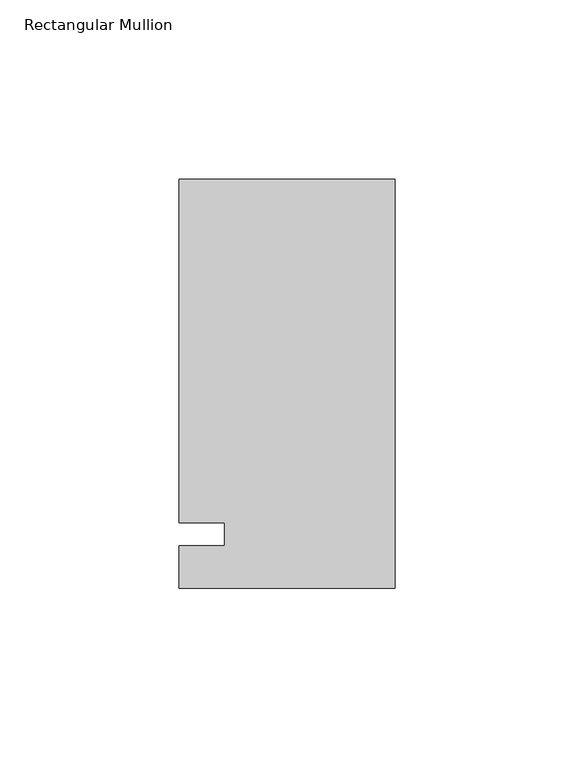
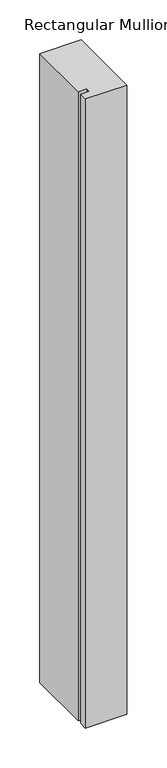
"""IFC4 building model written with IfcOpenShell, lengths in millimetres: member geometry, Rectangular Mullion."""

import ifcopenshell
import ifcopenshell.guid

model = None  # the IFC model being written
_history = None  # IfcOwnerHistory: only IFC2X3 demands one
_inside = {}  # id of a spatial element -> (the spatial element, [elements in it])
_under = {}  # id of a project, library or spatial element -> (it, [spatial elements below it])
_declared = {}  # id of a project -> (the project, [libraries it declares])
_typed = {}  # id of a type object -> (the type object, [elements of that type])
_made_of = {}  # id of a material, layer set ... -> (it, [elements and type objects made of it])


def new_model(schema):
    """Start an empty IFC model of exactly this schema.

    Asked for "IFC4X3", IfcOpenShell would pick the latest addendum, in which some entities
    have other attributes; the version numbers below select the first issue.
    IFC2X3 requires an IfcOwnerHistory on every rooted entity: one is made here for all.
    """
    global model, _history
    if schema == "IFC4X3":
        model = ifcopenshell.file(schema_version=(4, 3, 0, 0))
    else:
        model = ifcopenshell.file(schema=schema)
    _inside.clear()
    _under.clear()
    _declared.clear()
    _typed.clear()
    _made_of.clear()
    _history = None
    if model.schema == "IFC2X3":
        org = make("IfcOrganization", Name="unknown")
        user = make(
            "IfcPersonAndOrganization",
            ThePerson=make("IfcPerson", FamilyName="unknown"),
            TheOrganization=org,
        )
        app = make(
            "IfcApplication",
            ApplicationDeveloper=org,
            Version="unknown",
            ApplicationFullName="unknown",
            ApplicationIdentifier="unknown",
        )
        _history = make(
            "IfcOwnerHistory",
            OwningUser=user,
            OwningApplication=app,
            ChangeAction="ADDED",
            CreationDate=0,
        )
    return model


def make(cls, **values):
    """One entity of the class cls with the attributes given. An attribute that is None is left unset."""
    return model.create_entity(
        cls, **{name: value for name, value in values.items() if value is not None}
    )


def rooted(cls, **values):
    """An entity with a GlobalId (a new one), such as an element, a storey or a relation."""
    return make(cls, GlobalId=ifcopenshell.guid.new(), OwnerHistory=_history, **values)


def si_unit(unit_type, name, prefix=None):
    """IfcSIUnit, for example si_unit("LENGTHUNIT", "METRE", prefix="MILLI")."""
    return make("IfcSIUnit", UnitType=unit_type, Prefix=prefix, Name=name)


def assignment(units):
    """IfcUnitAssignment: the units of a project."""
    return None if units is None else make("IfcUnitAssignment", Units=units)


def point(xyz):
    """IfcCartesianPoint."""
    return None if xyz is None else make("IfcCartesianPoint", Coordinates=xyz)


def direction(xyz):
    """IfcDirection."""
    return None if xyz is None else make("IfcDirection", DirectionRatios=xyz)


def frame(location, z_axis=None, x_axis=None):
    """IfcAxis2Placement3D, a coordinate frame: its origin and axes. An axis left out is left unset."""
    return make(
        "IfcAxis2Placement3D",
        Location=point(location),
        Axis=direction(z_axis),
        RefDirection=direction(x_axis),
    )


def origin():
    """The frame at (0, 0, 0) with its axes left unset."""
    return frame((0.0, 0.0, 0.0))


def place(relative_to, where):
    """IfcLocalPlacement: puts the frame where relative to a parent placement (None: the world)."""
    return make(
        "IfcLocalPlacement", PlacementRelTo=relative_to, RelativePlacement=where
    )


def context(
    kind, dimensions, precision=None, world=None, true_north=None, identifier=None
):
    """IfcGeometricRepresentationContext, for example the 3D "Model" context."""
    return make(
        "IfcGeometricRepresentationContext",
        ContextIdentifier=identifier,
        ContextType=kind,
        CoordinateSpaceDimension=dimensions,
        Precision=precision,
        WorldCoordinateSystem=world,
        TrueNorth=true_north,
    )


def project(units=None, contexts=None):
    """IfcProject with its units and contexts."""
    return rooted(
        "IfcProject",
        Name="project",
        RepresentationContexts=contexts,
        UnitsInContext=assignment(units),
    )


def spatial(cls, under=None, at=None, **own):
    """A site, building, storey or space (cls), placed at a placement, below another one or the project."""
    s = rooted(cls, ObjectPlacement=at, **own)
    if under is not None:
        _under.setdefault(under.id(), (under, []))[1].append(s)
    return s


def polyline(points):
    """IfcPolyline through the points."""
    return make("IfcPolyline", Points=[point(p) for p in points])


def outline(outer, holes=None, kind="AREA"):
    """IfcArbitraryClosedProfileDef: a profile drawn as a closed curve; with holes, ...WithVoids."""
    if holes is None:
        return make("IfcArbitraryClosedProfileDef", ProfileType=kind, OuterCurve=outer)
    return make(
        "IfcArbitraryProfileDefWithVoids",
        ProfileType=kind,
        OuterCurve=outer,
        InnerCurves=holes,
    )


def extrude(swept, where, along, depth):
    """IfcExtrudedAreaSolid: the profile swept, set in the frame where, extruded along a direction by depth."""
    return make(
        "IfcExtrudedAreaSolid",
        SweptArea=swept,
        Position=where,
        ExtrudedDirection=direction(along),
        Depth=depth,
    )


def shape(context_of_items, identifier, shape_type, items):
    """IfcShapeRepresentation: the items that make up one representation, for example the "Body"."""
    return make(
        "IfcShapeRepresentation",
        ContextOfItems=context_of_items,
        RepresentationIdentifier=identifier,
        RepresentationType=shape_type,
        Items=items,
    )


def source(mapping_origin, context_of_items, identifier, shape_type, items):
    """IfcRepresentationMap: a shape defined once, which mapped items show again and again."""
    return make(
        "IfcRepresentationMap",
        MappingOrigin=mapping_origin,
        MappedRepresentation=shape(context_of_items, identifier, shape_type, items),
    )


def transform(
    local_origin,
    x_axis=None,
    y_axis=None,
    z_axis=None,
    scale=None,
    scale2=None,
    scale3=None,
    uniform=True,
):
    """IfcCartesianTransformationOperator3D, or its non-uniform kind. x_axis, y_axis, z_axis: its Axis1, 2, 3."""
    if uniform:
        return make(
            "IfcCartesianTransformationOperator3D",
            Axis1=direction(x_axis),
            Axis2=direction(y_axis),
            LocalOrigin=point(local_origin),
            Scale=scale,
            Axis3=direction(z_axis),
        )
    return make(
        "IfcCartesianTransformationOperator3DnonUniform",
        Axis1=direction(x_axis),
        Axis2=direction(y_axis),
        LocalOrigin=point(local_origin),
        Scale=scale,
        Axis3=direction(z_axis),
        Scale2=scale2,
        Scale3=scale3,
    )


def mapped(mapping_source, mapping_target):
    """IfcMappedItem: shows the shape of a source again, moved by a transform."""
    return make(
        "IfcMappedItem", MappingSource=mapping_source, MappingTarget=mapping_target
    )


def made_of(thing, what):
    """Note that an element or type object is made of a material, layer set ...; save() writes the relation."""
    if what is not None:
        _made_of.setdefault(what.id(), (what, []))[1].append(thing)
    return thing


def element(
    cls,
    number,
    at=None,
    inside=None,
    cuts=None,
    type_object=None,
    material=None,
    context=None,
    identifier="Body",
    shape_type=None,
    held_by="IfcProductDefinitionShape",
    body=None,
    shapes=None,
    **own,
):
    """One element of the class cls, such as IfcWall. Its Tag is "e" and its number.

    at: its placement. inside: the storey or other place that contains it. cuts: it is an
    opening in that element (IfcRelVoidsElement). A single representation is given by context,
    identifier, shape_type and body (its items); several are given by shapes. held_by: the class
    of the entity that holds the representations. save() writes the other relations.
    """
    e = rooted(cls, Tag="e%d" % number, ObjectPlacement=at, **own)
    if body is not None:
        shapes = [shape(context, identifier, shape_type, body)]
    if shapes is not None:
        e.Representation = make(held_by, Representations=shapes)
    if inside is not None:
        _inside.setdefault(inside.id(), (inside, []))[1].append(e)
    if cuts is not None:
        rooted(
            "IfcRelVoidsElement", RelatingBuildingElement=cuts, RelatedOpeningElement=e
        )
    if type_object is not None:
        _typed.setdefault(type_object.id(), (type_object, []))[1].append(e)
    return made_of(e, material)


def aggregate(whole, parts):
    """IfcRelAggregates: a whole, such as a stair, and the parts it consists of."""
    return rooted("IfcRelAggregates", RelatingObject=whole, RelatedObjects=parts)


def save(model, path):
    """Write the relations noted so far, then the file.

    IfcRelAggregates (storeys below a building ...), IfcRelContainedInSpatialStructure (elements
    in a storey), IfcRelDefinesByType, IfcRelAssociatesMaterial and IfcRelDeclares: one each for
    every whole, place, type object, material and project.
    """
    for whole, parts in _under.values():
        aggregate(whole, parts)
    for where, things in _inside.values():
        rooted(
            "IfcRelContainedInSpatialStructure",
            RelatedElements=things,
            RelatingStructure=where,
        )
    for kind, things in _typed.values():
        rooted("IfcRelDefinesByType", RelatedObjects=things, RelatingType=kind)
    for what, things in _made_of.values():
        rooted("IfcRelAssociatesMaterial", RelatedObjects=things, RelatingMaterial=what)
    for by, libraries in _declared.values():
        rooted("IfcRelDeclares", RelatingContext=by, RelatedDefinitions=libraries)
    model.write(path)


def rectangular_mullion_36d95c62(model_context):
    return source(origin(), model_context, "Body", "SweptSolid", [
        extrude(outline(polyline([(-60.325, 99.21875), (0.0, 99.21875), (0.0, -15.08125), (-60.325, -15.08125), (-60.325, -3.175), (-47.625, -3.175), (-47.625, 3.175), (-60.325, 3.175), (-60.325, 99.21875)])), frame((0.0, 0.0, -965.2), z_axis=(0.0, 0.0, 1.0), x_axis=(1.0, 0.0, 0.0)), (0.0, 0.0, 1.0), 965.2),
    ])


if __name__ == "__main__":
    model = new_model("IFC4")
    model_context = context("Model", 3, world=origin())
    ifc_project = project(units=[si_unit("LENGTHUNIT", "METRE", prefix="MILLI")], contexts=[model_context])
    site = spatial("IfcSite", under=ifc_project)
    building = spatial("IfcBuilding", under=site)
    placement = place(None, origin())
    rectangular_mullion_shape = rectangular_mullion_36d95c62(model_context)
    element("IfcMember", 1, ObjectType="Rectangular Mullion", at=placement, inside=building, context=model_context, shape_type="MappedRepresentation", body=[
        mapped(rectangular_mullion_shape, transform((0.0, 0.0, 0.0), x_axis=(1.0, 0.0, 0.0), y_axis=(0.0, 1.0, 0.0), z_axis=(0.0, 0.0, 1.0))),
    ])
    save(model, "model.ifc")
